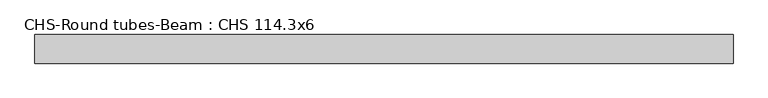
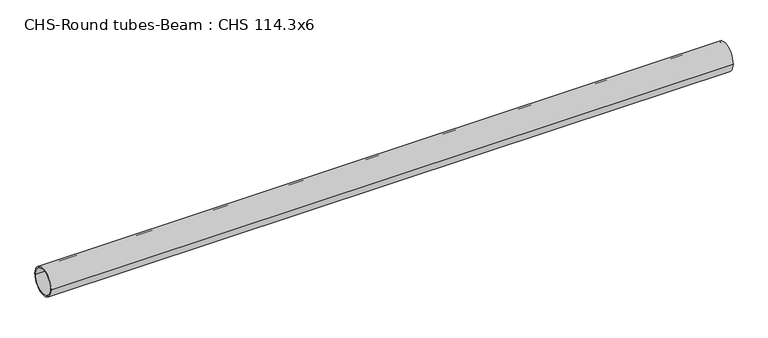
"""IFC4 building model written with IfcOpenShell, lengths in millimetres: beam geometry, CHS-Round tubes-Beam : CHS 114.3x6."""

from ifc_helpers import new_model, si_unit, point, frame, origin, origin_2d, place, context, project, spatial, circle_curve, trimmed, segment, composite_curve, outline, extrude, source, transform, mapped, element, save


def chs_round_tubes_beam_chs_114_3x6_5a26bba9(model_context):
    return source(origin(), model_context, "Body", "SweptSolid", [
        extrude(outline(composite_curve([segment(trimmed(circle_curve(origin_2d(), 57.15), [point((57.15, 0.0))], [point((-57.15, 0.0))], False, "CARTESIAN"), True, "CONTINUOUS"), segment(trimmed(circle_curve(origin_2d(), 57.15), [point((-57.15, 0.0))], [point((57.15, 0.0))], False, "CARTESIAN"), True, "CONTINUOUS")], self_intersect=False), holes=[composite_curve([segment(trimmed(circle_curve(origin_2d(), 51.15), [point((51.15, 0.0))], [point((-51.15, 0.0))], True, "CARTESIAN"), True, "CONTINUOUS"), segment(trimmed(circle_curve(origin_2d(), 51.15), [point((-51.15, 0.0))], [point((51.15, 0.0))], True, "CARTESIAN"), True, "CONTINUOUS")], self_intersect=False)]), frame((-1351.7820201, 0.0, 0.0), z_axis=(1.0, 0.0, 0.0), x_axis=(0.0, 1.0, 0.0)), (0.0, 0.0, 1.0), 2790.9799948),
    ])


if __name__ == "__main__":
    model = new_model("IFC4")
    model_context = context("Model", 3, world=origin())
    ifc_project = project(units=[si_unit("LENGTHUNIT", "METRE", prefix="MILLI")], contexts=[model_context])
    site = spatial("IfcSite", under=ifc_project)
    building = spatial("IfcBuilding", under=site)
    placement = place(None, origin())
    chs_round_tubes_beam_chs_114_3x6_shape = chs_round_tubes_beam_chs_114_3x6_5a26bba9(model_context)
    element("IfcBeam", 1, ObjectType="CHS-Round tubes-Beam : CHS 114.3x6", at=placement, inside=building, context=model_context, shape_type="MappedRepresentation", body=[
        mapped(chs_round_tubes_beam_chs_114_3x6_shape, transform((0.0, 0.0, 0.0), x_axis=(1.0, 0.0, 0.0), y_axis=(0.0, 1.0, 0.0), z_axis=(0.0, 0.0, 1.0))),
    ])
    save(model, "model.ifc")
